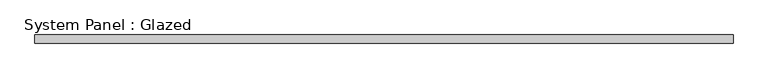
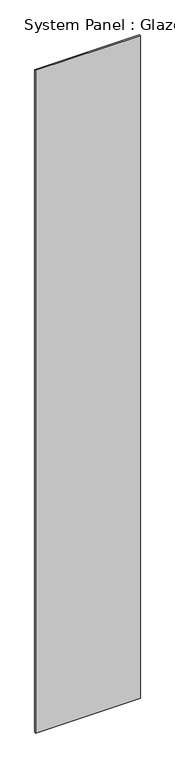
"""IFC4 building model written with IfcOpenShell, lengths in millimetres: plate geometry, System Panel : Glazed."""

from ifc_helpers import new_model, si_unit, origin, origin_with_axes, place, context, project, spatial, polyline, outline, extrude, source, transform, mapped, element, save


def system_panel_glazed_98cf08cf(model_context):
    return source(origin(), model_context, "Body", "SweptSolid", [
        extrude(outline(polyline([(1050.0000002, 52.5), (-1050.0000002, 52.5), (-1050.0000002, 77.5), (1050.0000002, 77.5), (1050.0000002, 52.5)])), origin_with_axes(), (0.0, 0.0, 1.0), 14020.0),
    ])


if __name__ == "__main__":
    model = new_model("IFC4")
    model_context = context("Model", 3, world=origin())
    ifc_project = project(units=[si_unit("LENGTHUNIT", "METRE", prefix="MILLI")], contexts=[model_context])
    site = spatial("IfcSite", under=ifc_project)
    building = spatial("IfcBuilding", under=site)
    placement = place(None, origin())
    system_panel_glazed_shape = system_panel_glazed_98cf08cf(model_context)
    element("IfcPlate", 1, ObjectType="System Panel : Glazed", at=placement, inside=building, context=model_context, shape_type="MappedRepresentation", body=[
        mapped(system_panel_glazed_shape, transform((0.0, 0.0, 0.0), x_axis=(1.0, 0.0, 0.0), y_axis=(0.0, 1.0, 0.0), z_axis=(0.0, 0.0, 1.0))),
    ])
    save(model, "model.ifc")
